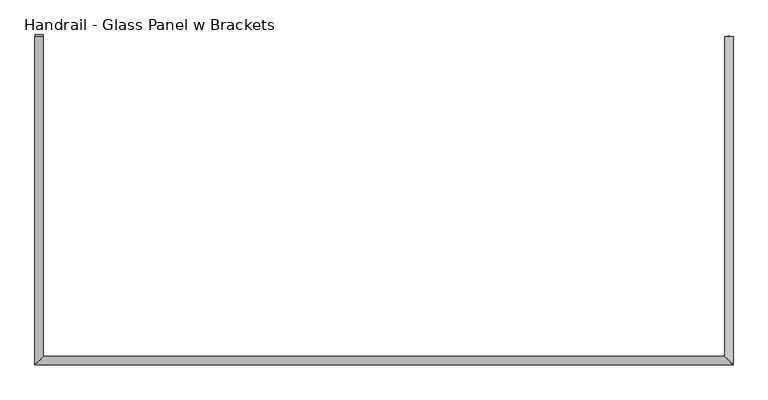
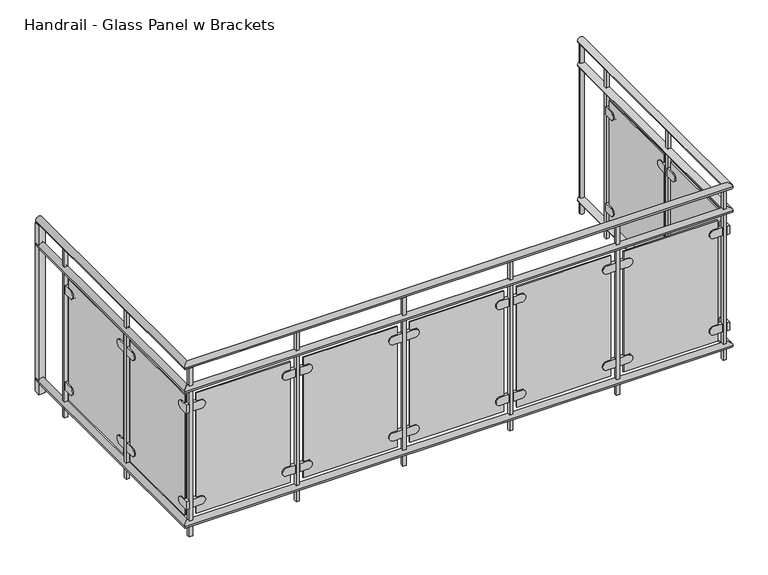
"""IFC4 building model written with IfcOpenShell, lengths in millimetres: railing geometry, Handrail - Glass Panel w Brackets."""

from ifc_helpers import new_model, si_unit, point, frame, frame_2d, origin, place, context, project, spatial, polyline, circle_curve, ellipse_curve, trimmed, segment, composite_curve, outline, extrude, source, transform, mapped, element, save
from ifc_brep_helpers import plane_surface, cylinder_surface, advanced_brep


def handrail_glass_panel_w_brackets_f727f661(model_context):
    return source(origin(), model_context, "Body", "SolidModel", [
        advanced_brep(
        [(-2103.3768865, 1581.0392884, 1025.4325135), (-2143.3768865, 1581.0392884, 1025.4325135), (-2103.3768865, 87.6392884, 1025.4325135), (-2143.3768865, 47.6392884, 1025.4325135), (1077.4231135, 87.6392884, 1025.4325135), (1117.4231135, 47.6392884, 1025.4325135), (1077.4231135, 1581.0392884, 1025.4325135), (1117.4231135, 1581.0392884, 1025.4325135)],
        [
            (0, 1, circle_curve(frame((-2123.3768865, 1581.0392884, 1025.4325135), z_axis=(0.0, 1.0, 0.0), x_axis=(-1.0, 0.0, 0.0)), 20.0)),
            (1, 0, circle_curve(frame((-2123.3768865, 1581.0392884, 1025.4325135), z_axis=(0.0, 1.0, 0.0), x_axis=(-1.0, 0.0, 0.0)), 20.0)),
            (0, 2),
            (2, 3, ellipse_curve(frame((-2123.3768865, 67.6392884, 1025.4325135), z_axis=(-0.7071067811865475, 0.7071067811865475, 0.0), x_axis=(0.7071067811865474, 0.7071067811865476, 0.0)), 28.2842712, 20.0)),
            (3, 1),
            (3, 2, ellipse_curve(frame((-2123.3768865, 67.6392884, 1025.4325135), z_axis=(-0.7071067811865475, 0.7071067811865475, 0.0), x_axis=(0.7071067811865474, 0.7071067811865476, 0.0)), 28.2842712, 20.0)),
            (2, 4),
            (4, 5, ellipse_curve(frame((1097.4231135, 67.6392884, 1025.4325135), z_axis=(-0.7071067811865475, -0.7071067811865475, 0.0), x_axis=(-0.7071067811865476, 0.7071067811865474, 0.0)), 28.2842712, 20.0)),
            (5, 3),
            (5, 4, ellipse_curve(frame((1097.4231135, 67.6392884, 1025.4325135), z_axis=(-0.7071067811865475, -0.7071067811865475, 0.0), x_axis=(-0.7071067811865476, 0.7071067811865474, 0.0)), 28.2842712, 20.0)),
            (6, 7, circle_curve(frame((1097.4231135, 1581.0392884, 1025.4325135), z_axis=(0.0, 1.0, 0.0), x_axis=(1.0, 0.0, 0.0)), 20.0)),
            (7, 6, circle_curve(frame((1097.4231135, 1581.0392884, 1025.4325135), z_axis=(0.0, 1.0, 0.0), x_axis=(1.0, 0.0, 0.0)), 20.0)),
            (4, 6),
            (7, 5),
        ],
        [
            plane_surface(frame((-2123.3768865, 1581.0392884, 1045.4325135), z_axis=(0.0, 1.0, 0.0), x_axis=(0.0, 0.0, -1.0))),
            cylinder_surface(frame((-2123.3768865, 1581.0392884, 1025.4325135), z_axis=(0.0, 1.0, 0.0), x_axis=(-1.0, 0.0, 0.0)), 20.0),
            cylinder_surface(frame((-2123.3768865, 67.6392884, 1025.4325135), z_axis=(-1.0, 0.0, 0.0), x_axis=(0.0, -1.0, 0.0)), 20.0),
            plane_surface(frame((1097.4231135, 1581.0392884, 1045.4325135), z_axis=(0.0, 1.0, 0.0), x_axis=(0.0, 0.0, 1.0))),
            cylinder_surface(frame((1097.4231135, 67.6392884, 1025.4325135), z_axis=(0.0, -1.0, 0.0), x_axis=(1.0, 0.0, 0.0)), 20.0),
        ],
        [
            (0, [[1, 2]]),
            (1, [[-1, 3, 4, 5]]),
            (1, [[-2, -5, 6, -3]]),
            (2, [[-4, 7, 8, 9]]),
            (2, [[-6, -9, 10, -7]]),
            (3, [[11, 12]]),
            (4, [[-8, 13, -12, 14]]),
            (4, [[-10, -14, -11, -13]]),
        ],
    ),
        advanced_brep(
        [(-2103.3768865, 1581.0392884, 875.4325135), (-2143.3768865, 1581.0392884, 875.4325135), (-2103.3768865, 87.6392884, 875.4325135), (-2143.3768865, 47.6392884, 875.4325135), (1077.4231135, 87.6392884, 875.4325135), (1117.4231135, 47.6392884, 875.4325135), (1077.4231135, 1581.0392884, 875.4325135), (1117.4231135, 1581.0392884, 875.4325135)],
        [
            (0, 1, circle_curve(frame((-2123.3768865, 1581.0392884, 875.4325135), z_axis=(0.0, 1.0, 0.0), x_axis=(-1.0, 0.0, 0.0)), 20.0)),
            (1, 0, circle_curve(frame((-2123.3768865, 1581.0392884, 875.4325135), z_axis=(0.0, 1.0, 0.0), x_axis=(-1.0, 0.0, 0.0)), 20.0)),
            (0, 2),
            (2, 3, ellipse_curve(frame((-2123.3768865, 67.6392884, 875.4325135), z_axis=(-0.7071067811865475, 0.7071067811865475, 0.0), x_axis=(0.7071067811865474, 0.7071067811865476, 0.0)), 28.2842712, 20.0)),
            (3, 1),
            (3, 2, ellipse_curve(frame((-2123.3768865, 67.6392884, 875.4325135), z_axis=(-0.7071067811865475, 0.7071067811865475, 0.0), x_axis=(0.7071067811865474, 0.7071067811865476, 0.0)), 28.2842712, 20.0)),
            (2, 4),
            (4, 5, ellipse_curve(frame((1097.4231135, 67.6392884, 875.4325135), z_axis=(-0.7071067811865475, -0.7071067811865475, 0.0), x_axis=(-0.7071067811865476, 0.7071067811865474, 0.0)), 28.2842712, 20.0)),
            (5, 3),
            (5, 4, ellipse_curve(frame((1097.4231135, 67.6392884, 875.4325135), z_axis=(-0.7071067811865475, -0.7071067811865475, 0.0), x_axis=(-0.7071067811865476, 0.7071067811865474, 0.0)), 28.2842712, 20.0)),
            (6, 7, circle_curve(frame((1097.4231135, 1581.0392884, 875.4325135), z_axis=(0.0, 1.0, 0.0), x_axis=(1.0, 0.0, 0.0)), 20.0)),
            (7, 6, circle_curve(frame((1097.4231135, 1581.0392884, 875.4325135), z_axis=(0.0, 1.0, 0.0), x_axis=(1.0, 0.0, 0.0)), 20.0)),
            (4, 6),
            (7, 5),
        ],
        [
            plane_surface(frame((-2123.3768865, 1581.0392884, 895.4325135), z_axis=(0.0, 1.0, 0.0), x_axis=(0.0, 0.0, -1.0))),
            cylinder_surface(frame((-2123.3768865, 1581.0392884, 875.4325135), z_axis=(0.0, 1.0, 0.0), x_axis=(-1.0, 0.0, 0.0)), 20.0),
            cylinder_surface(frame((-2123.3768865, 67.6392884, 875.4325135), z_axis=(-1.0, 0.0, 0.0), x_axis=(0.0, -1.0, 0.0)), 20.0),
            plane_surface(frame((1097.4231135, 1581.0392884, 895.4325135), z_axis=(0.0, 1.0, 0.0), x_axis=(0.0, 0.0, 1.0))),
            cylinder_surface(frame((1097.4231135, 67.6392884, 875.4325135), z_axis=(0.0, -1.0, 0.0), x_axis=(1.0, 0.0, 0.0)), 20.0),
        ],
        [
            (0, [[1, 2]]),
            (1, [[-1, 3, 4, 5]]),
            (1, [[-2, -5, 6, -3]]),
            (2, [[-4, 7, 8, 9]]),
            (2, [[-6, -9, 10, -7]]),
            (3, [[11, 12]]),
            (4, [[-8, 13, -12, 14]]),
            (4, [[-10, -14, -11, -13]]),
        ],
    ),
        advanced_brep(
        [(-2103.3768865, 1581.0392884, 27.0325135), (-2143.3768865, 1581.0392884, 27.0325135), (-2103.3768865, 87.6392884, 27.0325135), (-2143.3768865, 47.6392884, 27.0325135), (1077.4231135, 87.6392884, 27.0325135), (1117.4231135, 47.6392884, 27.0325135), (1077.4231135, 1581.0392884, 27.0325135), (1117.4231135, 1581.0392884, 27.0325135)],
        [
            (0, 1, circle_curve(frame((-2123.3768865, 1581.0392884, 27.0325135), z_axis=(0.0, 1.0, 0.0), x_axis=(-1.0, 0.0, 0.0)), 20.0)),
            (1, 0, circle_curve(frame((-2123.3768865, 1581.0392884, 27.0325135), z_axis=(0.0, 1.0, 0.0), x_axis=(-1.0, 0.0, 0.0)), 20.0)),
            (0, 2),
            (2, 3, ellipse_curve(frame((-2123.3768865, 67.6392884, 27.0325135), z_axis=(-0.7071067811865475, 0.7071067811865475, 0.0), x_axis=(0.7071067811865474, 0.7071067811865476, 0.0)), 28.2842712, 20.0)),
            (3, 1),
            (3, 2, ellipse_curve(frame((-2123.3768865, 67.6392884, 27.0325135), z_axis=(-0.7071067811865475, 0.7071067811865475, 0.0), x_axis=(0.7071067811865474, 0.7071067811865476, 0.0)), 28.2842712, 20.0)),
            (2, 4),
            (4, 5, ellipse_curve(frame((1097.4231135, 67.6392884, 27.0325135), z_axis=(-0.7071067811865475, -0.7071067811865475, 0.0), x_axis=(-0.7071067811865476, 0.7071067811865474, 0.0)), 28.2842712, 20.0)),
            (5, 3),
            (5, 4, ellipse_curve(frame((1097.4231135, 67.6392884, 27.0325135), z_axis=(-0.7071067811865475, -0.7071067811865475, 0.0), x_axis=(-0.7071067811865476, 0.7071067811865474, 0.0)), 28.2842712, 20.0)),
            (6, 7, circle_curve(frame((1097.4231135, 1581.0392884, 27.0325135), z_axis=(0.0, 1.0, 0.0), x_axis=(1.0, 0.0, 0.0)), 20.0)),
            (7, 6, circle_curve(frame((1097.4231135, 1581.0392884, 27.0325135), z_axis=(0.0, 1.0, 0.0), x_axis=(1.0, 0.0, 0.0)), 20.0)),
            (4, 6),
            (7, 5),
        ],
        [
            plane_surface(frame((-2123.3768865, 1581.0392884, 47.0325135), z_axis=(0.0, 1.0, 0.0), x_axis=(0.0, 0.0, -1.0))),
            cylinder_surface(frame((-2123.3768865, 1581.0392884, 27.0325135), z_axis=(0.0, 1.0, 0.0), x_axis=(-1.0, 0.0, 0.0)), 20.0),
            cylinder_surface(frame((-2123.3768865, 67.6392884, 27.0325135), z_axis=(-1.0, 0.0, 0.0), x_axis=(0.0, -1.0, 0.0)), 20.0),
            plane_surface(frame((1097.4231135, 1581.0392884, 47.0325135), z_axis=(0.0, 1.0, 0.0), x_axis=(0.0, 0.0, 1.0))),
            cylinder_surface(frame((1097.4231135, 67.6392884, 27.0325135), z_axis=(0.0, -1.0, 0.0), x_axis=(1.0, 0.0, 0.0)), 20.0),
        ],
        [
            (0, [[1, 2]]),
            (1, [[-1, 3, 4, 5]]),
            (1, [[-2, -5, 6, -3]]),
            (2, [[-4, 7, 8, 9]]),
            (2, [[-6, -9, 10, -7]]),
            (3, [[11, 12]]),
            (4, [[-8, 13, -12, 14]]),
            (4, [[-10, -14, -11, -13]]),
        ],
    ),
        extrude(outline(polyline([(1106.9481135, 1305.2142884), (1087.8981135, 1305.2142884), (1087.8981135, 1324.2642884), (1106.9481135, 1324.2642884), (1106.9481135, 1305.2142884)])), frame((0.0, 0.0, -54.5674865), z_axis=(0.0, 0.0, 1.0), x_axis=(1.0, 0.0, 0.0)), (0.0, 0.0, 1.0), 1060.0),
        extrude(outline(composite_curve([segment(polyline([(1251.2392884, 779.2325135), (1302.0392884, 779.2325135), (1302.0392884, 728.4325135), (1251.2392884, 728.4325135)]), True, "CONTINUOUS"), segment(trimmed(circle_curve(frame_2d((1251.2392884, 753.8325135)), 25.4), [point((1251.2392884, 728.4325135))], [point((1251.2392884, 779.2325135))], False, "CARTESIAN"), True, "CONTINUOUS")], self_intersect=False)), frame((1084.7231135, 0.0, 0.0), z_axis=(1.0, 0.0, 0.0), x_axis=(0.0, 1.0, 0.0)), (0.0, 0.0, 1.0), 19.05),
        extrude(outline(composite_curve([segment(trimmed(circle_curve(frame_2d((743.2392884, 753.8325135)), 25.4), [point((743.2392884, 779.2325135))], [point((743.2392884, 728.4325135))], False, "CARTESIAN"), True, "CONTINUOUS"), segment(polyline([(743.2392884, 728.4325135), (692.4392884, 728.4325135), (692.4392884, 779.2325135), (743.2392884, 779.2325135)]), True, "CONTINUOUS")], self_intersect=False)), frame((1084.7231135, 0.0, 0.0), z_axis=(1.0, 0.0, 0.0), x_axis=(0.0, 1.0, 0.0)), (0.0, 0.0, 1.0), 19.05),
        extrude(outline(composite_curve([segment(polyline([(1251.2392884, 174.0325135), (1302.0392884, 174.0325135), (1302.0392884, 123.2325135), (1251.2392884, 123.2325135)]), True, "CONTINUOUS"), segment(trimmed(circle_curve(frame_2d((1251.2392884, 148.6325135)), 25.4), [point((1251.2392884, 123.2325135))], [point((1251.2392884, 174.0325135))], False, "CARTESIAN"), True, "CONTINUOUS")], self_intersect=False)), frame((1084.7231135, 0.0, 0.0), z_axis=(1.0, 0.0, 0.0), x_axis=(0.0, 1.0, 0.0)), (0.0, 0.0, 1.0), 19.05),
        extrude(outline(composite_curve([segment(trimmed(circle_curve(frame_2d((743.2392884, 148.6325135)), 25.4), [point((743.2392884, 174.0325135))], [point((743.2392884, 123.2325135))], False, "CARTESIAN"), True, "CONTINUOUS"), segment(polyline([(743.2392884, 123.2325135), (692.4392884, 123.2325135), (692.4392884, 174.0325135), (743.2392884, 174.0325135)]), True, "CONTINUOUS")], self_intersect=False)), frame((1084.7231135, 0.0, 0.0), z_axis=(1.0, 0.0, 0.0), x_axis=(0.0, 1.0, 0.0)), (0.0, 0.0, 1.0), 19.05),
        extrude(outline(polyline([(1091.0731135, 717.8392884), (1091.0731135, 1276.6392884), (1097.4231135, 1276.6392884), (1097.4231135, 717.8392884), (1091.0731135, 717.8392884)])), frame((0.0, 0.0, 72.4325135), z_axis=(0.0, 0.0, 1.0), x_axis=(1.0, 0.0, 0.0)), (0.0, 0.0, 1.0), 757.6),
        extrude(outline(polyline([(1106.9481135, 670.2142884), (1087.8981135, 670.2142884), (1087.8981135, 689.2642884), (1106.9481135, 689.2642884), (1106.9481135, 670.2142884)])), frame((0.0, 0.0, -54.5674865), z_axis=(0.0, 0.0, 1.0), x_axis=(1.0, 0.0, 0.0)), (0.0, 0.0, 1.0), 1060.0),
        extrude(outline(composite_curve([segment(polyline([(616.2392884, 779.2325135), (667.0392884, 779.2325135), (667.0392884, 728.4325135), (616.2392884, 728.4325135)]), True, "CONTINUOUS"), segment(trimmed(circle_curve(frame_2d((616.2392884, 753.8325135)), 25.4), [point((616.2392884, 728.4325135))], [point((616.2392884, 779.2325135))], False, "CARTESIAN"), True, "CONTINUOUS")], self_intersect=False)), frame((1084.7231135, 0.0, 0.0), z_axis=(1.0, 0.0, 0.0), x_axis=(0.0, 1.0, 0.0)), (0.0, 0.0, 1.0), 19.05),
        extrude(outline(composite_curve([segment(trimmed(circle_curve(frame_2d((108.2392884, 753.8325135)), 25.4), [point((108.2392884, 779.2325135))], [point((108.2392884, 728.4325135))], False, "CARTESIAN"), True, "CONTINUOUS"), segment(polyline([(108.2392884, 728.4325135), (57.4392884, 728.4325135), (57.4392884, 779.2325135), (108.2392884, 779.2325135)]), True, "CONTINUOUS")], self_intersect=False)), frame((1084.7231135, 0.0, 0.0), z_axis=(1.0, 0.0, 0.0), x_axis=(0.0, 1.0, 0.0)), (0.0, 0.0, 1.0), 19.05),
        extrude(outline(composite_curve([segment(polyline([(616.2392884, 174.0325135), (667.0392884, 174.0325135), (667.0392884, 123.2325135), (616.2392884, 123.2325135)]), True, "CONTINUOUS"), segment(trimmed(circle_curve(frame_2d((616.2392884, 148.6325135)), 25.4), [point((616.2392884, 123.2325135))], [point((616.2392884, 174.0325135))], False, "CARTESIAN"), True, "CONTINUOUS")], self_intersect=False)), frame((1084.7231135, 0.0, 0.0), z_axis=(1.0, 0.0, 0.0), x_axis=(0.0, 1.0, 0.0)), (0.0, 0.0, 1.0), 19.05),
        extrude(outline(composite_curve([segment(trimmed(circle_curve(frame_2d((108.2392884, 148.6325135)), 25.4), [point((108.2392884, 174.0325135))], [point((108.2392884, 123.2325135))], False, "CARTESIAN"), True, "CONTINUOUS"), segment(polyline([(108.2392884, 123.2325135), (57.4392884, 123.2325135), (57.4392884, 174.0325135), (108.2392884, 174.0325135)]), True, "CONTINUOUS")], self_intersect=False)), frame((1084.7231135, 0.0, 0.0), z_axis=(1.0, 0.0, 0.0), x_axis=(0.0, 1.0, 0.0)), (0.0, 0.0, 1.0), 19.05),
        extrude(outline(polyline([(1091.0731135, 82.8392884), (1091.0731135, 641.6392884), (1097.4231135, 641.6392884), (1097.4231135, 82.8392884), (1091.0731135, 82.8392884)])), frame((0.0, 0.0, 72.4325135), z_axis=(0.0, 0.0, 1.0), x_axis=(1.0, 0.0, 0.0)), (0.0, 0.0, 1.0), 757.6),
        extrude(outline(polyline([(1064.9981135, 58.1142884), (1064.9981135, 77.1642884), (1084.0481135, 77.1642884), (1084.0481135, 58.1142884), (1064.9981135, 58.1142884)])), frame((0.0, 0.0, -54.5674865), z_axis=(0.0, 0.0, 1.0), x_axis=(1.0, 0.0, 0.0)), (0.0, 0.0, 1.0), 1060.0),
        extrude(outline(composite_curve([segment(trimmed(circle_curve(frame_2d((753.8325135, 1011.0231135)), 25.4), [point((779.2325135, 1011.0231135))], [point((728.4325135, 1011.0231135))], False, "CARTESIAN"), True, "CONTINUOUS"), segment(polyline([(728.4325135, 1011.0231135), (728.4325135, 1061.8231135), (779.2325135, 1061.8231135), (779.2325135, 1011.0231135)]), True, "CONTINUOUS")], self_intersect=False)), frame((0.0, 61.2892884, 0.0), z_axis=(0.0, 1.0, 0.0), x_axis=(0.0, 0.0, 1.0)), (0.0, 0.0, 1.0), 19.05),
        extrude(outline(composite_curve([segment(polyline([(779.2325135, 503.0231135), (779.2325135, 452.2231135), (728.4325135, 452.2231135), (728.4325135, 503.0231135)]), True, "CONTINUOUS"), segment(trimmed(circle_curve(frame_2d((753.8325135, 503.0231135)), 25.4), [point((728.4325135, 503.0231135))], [point((779.2325135, 503.0231135))], False, "CARTESIAN"), True, "CONTINUOUS")], self_intersect=False)), frame((0.0, 61.2892884, 0.0), z_axis=(0.0, 1.0, 0.0), x_axis=(0.0, 0.0, 1.0)), (0.0, 0.0, 1.0), 19.05),
        extrude(outline(composite_curve([segment(trimmed(circle_curve(frame_2d((148.6325135, 1011.0231135)), 25.4), [point((174.0325135, 1011.0231135))], [point((123.2325135, 1011.0231135))], False, "CARTESIAN"), True, "CONTINUOUS"), segment(polyline([(123.2325135, 1011.0231135), (123.2325135, 1061.8231135), (174.0325135, 1061.8231135), (174.0325135, 1011.0231135)]), True, "CONTINUOUS")], self_intersect=False)), frame((0.0, 61.2892884, 0.0), z_axis=(0.0, 1.0, 0.0), x_axis=(0.0, 0.0, 1.0)), (0.0, 0.0, 1.0), 19.05),
        extrude(outline(composite_curve([segment(polyline([(174.0325135, 503.0231135), (174.0325135, 452.2231135), (123.2325135, 452.2231135), (123.2325135, 503.0231135)]), True, "CONTINUOUS"), segment(trimmed(circle_curve(frame_2d((148.6325135, 503.0231135)), 25.4), [point((123.2325135, 503.0231135))], [point((174.0325135, 503.0231135))], False, "CARTESIAN"), True, "CONTINUOUS")], self_intersect=False)), frame((0.0, 61.2892884, 0.0), z_axis=(0.0, 1.0, 0.0), x_axis=(0.0, 0.0, 1.0)), (0.0, 0.0, 1.0), 19.05),
        extrude(outline(polyline([(477.6231135, 73.9892884), (1036.4231135, 73.9892884), (1036.4231135, 67.6392884), (477.6231135, 67.6392884), (477.6231135, 73.9892884)])), frame((0.0, 0.0, 72.4325135), z_axis=(0.0, 0.0, 1.0), x_axis=(1.0, 0.0, 0.0)), (0.0, 0.0, 1.0), 757.6),
        extrude(outline(polyline([(429.9981135, 58.1142884), (429.9981135, 77.1642884), (449.0481135, 77.1642884), (449.0481135, 58.1142884), (429.9981135, 58.1142884)])), frame((0.0, 0.0, -54.5674865), z_axis=(0.0, 0.0, 1.0), x_axis=(1.0, 0.0, 0.0)), (0.0, 0.0, 1.0), 1060.0),
        extrude(outline(composite_curve([segment(trimmed(circle_curve(frame_2d((753.8325135, 376.0231135)), 25.4), [point((779.2325135, 376.0231135))], [point((728.4325135, 376.0231135))], False, "CARTESIAN"), True, "CONTINUOUS"), segment(polyline([(728.4325135, 376.0231135), (728.4325135, 426.8231135), (779.2325135, 426.8231135), (779.2325135, 376.0231135)]), True, "CONTINUOUS")], self_intersect=False)), frame((0.0, 61.2892884, 0.0), z_axis=(0.0, 1.0, 0.0), x_axis=(0.0, 0.0, 1.0)), (0.0, 0.0, 1.0), 19.05),
        extrude(outline(composite_curve([segment(polyline([(779.2325135, -131.9768865), (779.2325135, -182.7768865), (728.4325135, -182.7768865), (728.4325135, -131.9768865)]), True, "CONTINUOUS"), segment(trimmed(circle_curve(frame_2d((753.8325135, -131.9768865)), 25.4), [point((728.4325135, -131.9768865))], [point((779.2325135, -131.9768865))], False, "CARTESIAN"), True, "CONTINUOUS")], self_intersect=False)), frame((0.0, 61.2892884, 0.0), z_axis=(0.0, 1.0, 0.0), x_axis=(0.0, 0.0, 1.0)), (0.0, 0.0, 1.0), 19.05),
        extrude(outline(composite_curve([segment(trimmed(circle_curve(frame_2d((148.6325135, 376.0231135)), 25.4), [point((174.0325135, 376.0231135))], [point((123.2325135, 376.0231135))], False, "CARTESIAN"), True, "CONTINUOUS"), segment(polyline([(123.2325135, 376.0231135), (123.2325135, 426.8231135), (174.0325135, 426.8231135), (174.0325135, 376.0231135)]), True, "CONTINUOUS")], self_intersect=False)), frame((0.0, 61.2892884, 0.0), z_axis=(0.0, 1.0, 0.0), x_axis=(0.0, 0.0, 1.0)), (0.0, 0.0, 1.0), 19.05),
        extrude(outline(composite_curve([segment(polyline([(174.0325135, -131.9768865), (174.0325135, -182.7768865), (123.2325135, -182.7768865), (123.2325135, -131.9768865)]), True, "CONTINUOUS"), segment(trimmed(circle_curve(frame_2d((148.6325135, -131.9768865)), 25.4), [point((123.2325135, -131.9768865))], [point((174.0325135, -131.9768865))], False, "CARTESIAN"), True, "CONTINUOUS")], self_intersect=False)), frame((0.0, 61.2892884, 0.0), z_axis=(0.0, 1.0, 0.0), x_axis=(0.0, 0.0, 1.0)), (0.0, 0.0, 1.0), 19.05),
        extrude(outline(polyline([(-157.3768865, 73.9892884), (401.4231135, 73.9892884), (401.4231135, 67.6392884), (-157.3768865, 67.6392884), (-157.3768865, 73.9892884)])), frame((0.0, 0.0, 72.4325135), z_axis=(0.0, 0.0, 1.0), x_axis=(1.0, 0.0, 0.0)), (0.0, 0.0, 1.0), 757.6),
        extrude(outline(polyline([(-205.0018865, 58.1142884), (-205.0018865, 77.1642884), (-185.9518865, 77.1642884), (-185.9518865, 58.1142884), (-205.0018865, 58.1142884)])), frame((0.0, 0.0, -54.5674865), z_axis=(0.0, 0.0, 1.0), x_axis=(1.0, 0.0, 0.0)), (0.0, 0.0, 1.0), 1060.0),
        extrude(outline(composite_curve([segment(trimmed(circle_curve(frame_2d((753.8325135, -258.9768865)), 25.4), [point((779.2325135, -258.9768865))], [point((728.4325135, -258.9768865))], False, "CARTESIAN"), True, "CONTINUOUS"), segment(polyline([(728.4325135, -258.9768865), (728.4325135, -208.1768865), (779.2325135, -208.1768865), (779.2325135, -258.9768865)]), True, "CONTINUOUS")], self_intersect=False)), frame((0.0, 61.2892884, 0.0), z_axis=(0.0, 1.0, 0.0), x_axis=(0.0, 0.0, 1.0)), (0.0, 0.0, 1.0), 19.05),
        extrude(outline(composite_curve([segment(polyline([(779.2325135, -766.9768865), (779.2325135, -817.7768865), (728.4325135, -817.7768865), (728.4325135, -766.9768865)]), True, "CONTINUOUS"), segment(trimmed(circle_curve(frame_2d((753.8325135, -766.9768865)), 25.4), [point((728.4325135, -766.9768865))], [point((779.2325135, -766.9768865))], False, "CARTESIAN"), True, "CONTINUOUS")], self_intersect=False)), frame((0.0, 61.2892884, 0.0), z_axis=(0.0, 1.0, 0.0), x_axis=(0.0, 0.0, 1.0)), (0.0, 0.0, 1.0), 19.05),
        extrude(outline(composite_curve([segment(trimmed(circle_curve(frame_2d((148.6325135, -258.9768865)), 25.4), [point((174.0325135, -258.9768865))], [point((123.2325135, -258.9768865))], False, "CARTESIAN"), True, "CONTINUOUS"), segment(polyline([(123.2325135, -258.9768865), (123.2325135, -208.1768865), (174.0325135, -208.1768865), (174.0325135, -258.9768865)]), True, "CONTINUOUS")], self_intersect=False)), frame((0.0, 61.2892884, 0.0), z_axis=(0.0, 1.0, 0.0), x_axis=(0.0, 0.0, 1.0)), (0.0, 0.0, 1.0), 19.05),
        extrude(outline(composite_curve([segment(polyline([(174.0325135, -766.9768865), (174.0325135, -817.7768865), (123.2325135, -817.7768865), (123.2325135, -766.9768865)]), True, "CONTINUOUS"), segment(trimmed(circle_curve(frame_2d((148.6325135, -766.9768865)), 25.4), [point((123.2325135, -766.9768865))], [point((174.0325135, -766.9768865))], False, "CARTESIAN"), True, "CONTINUOUS")], self_intersect=False)), frame((0.0, 61.2892884, 0.0), z_axis=(0.0, 1.0, 0.0), x_axis=(0.0, 0.0, 1.0)), (0.0, 0.0, 1.0), 19.05),
        extrude(outline(polyline([(-792.3768865, 73.9892884), (-233.5768865, 73.9892884), (-233.5768865, 67.6392884), (-792.3768865, 67.6392884), (-792.3768865, 73.9892884)])), frame((0.0, 0.0, 72.4325135), z_axis=(0.0, 0.0, 1.0), x_axis=(1.0, 0.0, 0.0)), (0.0, 0.0, 1.0), 757.6),
        extrude(outline(polyline([(-840.0018865, 58.1142884), (-840.0018865, 77.1642884), (-820.9518865, 77.1642884), (-820.9518865, 58.1142884), (-840.0018865, 58.1142884)])), frame((0.0, 0.0, -54.5674865), z_axis=(0.0, 0.0, 1.0), x_axis=(1.0, 0.0, 0.0)), (0.0, 0.0, 1.0), 1060.0),
        extrude(outline(composite_curve([segment(trimmed(circle_curve(frame_2d((753.8325135, -893.9768865)), 25.4), [point((779.2325135, -893.9768865))], [point((728.4325135, -893.9768865))], False, "CARTESIAN"), True, "CONTINUOUS"), segment(polyline([(728.4325135, -893.9768865), (728.4325135, -843.1768865), (779.2325135, -843.1768865), (779.2325135, -893.9768865)]), True, "CONTINUOUS")], self_intersect=False)), frame((0.0, 61.2892884, 0.0), z_axis=(0.0, 1.0, 0.0), x_axis=(0.0, 0.0, 1.0)), (0.0, 0.0, 1.0), 19.05),
        extrude(outline(composite_curve([segment(polyline([(779.2325135, -1401.9768865), (779.2325135, -1452.7768865), (728.4325135, -1452.7768865), (728.4325135, -1401.9768865)]), True, "CONTINUOUS"), segment(trimmed(circle_curve(frame_2d((753.8325135, -1401.9768865)), 25.4), [point((728.4325135, -1401.9768865))], [point((779.2325135, -1401.9768865))], False, "CARTESIAN"), True, "CONTINUOUS")], self_intersect=False)), frame((0.0, 61.2892884, 0.0), z_axis=(0.0, 1.0, 0.0), x_axis=(0.0, 0.0, 1.0)), (0.0, 0.0, 1.0), 19.05),
        extrude(outline(composite_curve([segment(trimmed(circle_curve(frame_2d((148.6325135, -893.9768865)), 25.4), [point((174.0325135, -893.9768865))], [point((123.2325135, -893.9768865))], False, "CARTESIAN"), True, "CONTINUOUS"), segment(polyline([(123.2325135, -893.9768865), (123.2325135, -843.1768865), (174.0325135, -843.1768865), (174.0325135, -893.9768865)]), True, "CONTINUOUS")], self_intersect=False)), frame((0.0, 61.2892884, 0.0), z_axis=(0.0, 1.0, 0.0), x_axis=(0.0, 0.0, 1.0)), (0.0, 0.0, 1.0), 19.05),
        extrude(outline(composite_curve([segment(polyline([(174.0325135, -1401.9768865), (174.0325135, -1452.7768865), (123.2325135, -1452.7768865), (123.2325135, -1401.9768865)]), True, "CONTINUOUS"), segment(trimmed(circle_curve(frame_2d((148.6325135, -1401.9768865)), 25.4), [point((123.2325135, -1401.9768865))], [point((174.0325135, -1401.9768865))], False, "CARTESIAN"), True, "CONTINUOUS")], self_intersect=False)), frame((0.0, 61.2892884, 0.0), z_axis=(0.0, 1.0, 0.0), x_axis=(0.0, 0.0, 1.0)), (0.0, 0.0, 1.0), 19.05),
        extrude(outline(polyline([(-1427.3768865, 73.9892884), (-868.5768865, 73.9892884), (-868.5768865, 67.6392884), (-1427.3768865, 67.6392884), (-1427.3768865, 73.9892884)])), frame((0.0, 0.0, 72.4325135), z_axis=(0.0, 0.0, 1.0), x_axis=(1.0, 0.0, 0.0)), (0.0, 0.0, 1.0), 757.6),
        extrude(outline(polyline([(-1475.0018865, 58.1142884), (-1475.0018865, 77.1642884), (-1455.9518865, 77.1642884), (-1455.9518865, 58.1142884), (-1475.0018865, 58.1142884)])), frame((0.0, 0.0, -54.5674865), z_axis=(0.0, 0.0, 1.0), x_axis=(1.0, 0.0, 0.0)), (0.0, 0.0, 1.0), 1060.0),
        extrude(outline(composite_curve([segment(trimmed(circle_curve(frame_2d((753.8325135, -1528.9768865)), 25.4), [point((779.2325135, -1528.9768865))], [point((728.4325135, -1528.9768865))], False, "CARTESIAN"), True, "CONTINUOUS"), segment(polyline([(728.4325135, -1528.9768865), (728.4325135, -1478.1768865), (779.2325135, -1478.1768865), (779.2325135, -1528.9768865)]), True, "CONTINUOUS")], self_intersect=False)), frame((0.0, 61.2892884, 0.0), z_axis=(0.0, 1.0, 0.0), x_axis=(0.0, 0.0, 1.0)), (0.0, 0.0, 1.0), 19.05),
        extrude(outline(composite_curve([segment(polyline([(779.2325135, -2036.9768865), (779.2325135, -2087.7768865), (728.4325135, -2087.7768865), (728.4325135, -2036.9768865)]), True, "CONTINUOUS"), segment(trimmed(circle_curve(frame_2d((753.8325135, -2036.9768865)), 25.4), [point((728.4325135, -2036.9768865))], [point((779.2325135, -2036.9768865))], False, "CARTESIAN"), True, "CONTINUOUS")], self_intersect=False)), frame((0.0, 61.2892884, 0.0), z_axis=(0.0, 1.0, 0.0), x_axis=(0.0, 0.0, 1.0)), (0.0, 0.0, 1.0), 19.05),
        extrude(outline(composite_curve([segment(trimmed(circle_curve(frame_2d((148.6325135, -1528.9768865)), 25.4), [point((174.0325135, -1528.9768865))], [point((123.2325135, -1528.9768865))], False, "CARTESIAN"), True, "CONTINUOUS"), segment(polyline([(123.2325135, -1528.9768865), (123.2325135, -1478.1768865), (174.0325135, -1478.1768865), (174.0325135, -1528.9768865)]), True, "CONTINUOUS")], self_intersect=False)), frame((0.0, 61.2892884, 0.0), z_axis=(0.0, 1.0, 0.0), x_axis=(0.0, 0.0, 1.0)), (0.0, 0.0, 1.0), 19.05),
        extrude(outline(composite_curve([segment(polyline([(174.0325135, -2036.9768865), (174.0325135, -2087.7768865), (123.2325135, -2087.7768865), (123.2325135, -2036.9768865)]), True, "CONTINUOUS"), segment(trimmed(circle_curve(frame_2d((148.6325135, -2036.9768865)), 25.4), [point((123.2325135, -2036.9768865))], [point((174.0325135, -2036.9768865))], False, "CARTESIAN"), True, "CONTINUOUS")], self_intersect=False)), frame((0.0, 61.2892884, 0.0), z_axis=(0.0, 1.0, 0.0), x_axis=(0.0, 0.0, 1.0)), (0.0, 0.0, 1.0), 19.05),
        extrude(outline(polyline([(-2062.3768865, 73.9892884), (-1503.5768865, 73.9892884), (-1503.5768865, 67.6392884), (-2062.3768865, 67.6392884), (-2062.3768865, 73.9892884)])), frame((0.0, 0.0, 72.4325135), z_axis=(0.0, 0.0, 1.0), x_axis=(1.0, 0.0, 0.0)), (0.0, 0.0, 1.0), 757.6),
        extrude(outline(polyline([(-2110.0018865, 58.1142884), (-2110.0018865, 77.1642884), (-2090.9518865, 77.1642884), (-2090.9518865, 58.1142884), (-2110.0018865, 58.1142884)])), frame((0.0, 0.0, -54.5674865), z_axis=(0.0, 0.0, 1.0), x_axis=(1.0, 0.0, 0.0)), (0.0, 0.0, 1.0), 1060.0),
        extrude(outline(composite_curve([segment(trimmed(circle_curve(frame_2d((108.2392884, 753.8325135)), 25.4), [point((108.2392884, 779.2325135))], [point((108.2392884, 728.4325135))], False, "CARTESIAN"), True, "CONTINUOUS"), segment(polyline([(108.2392884, 728.4325135), (57.4392884, 728.4325135), (57.4392884, 779.2325135), (108.2392884, 779.2325135)]), True, "CONTINUOUS")], self_intersect=False)), frame((-2129.7268865, 0.0, 0.0), z_axis=(1.0, 0.0, 0.0), x_axis=(0.0, 1.0, 0.0)), (0.0, 0.0, 1.0), 19.05),
        extrude(outline(composite_curve([segment(polyline([(616.2392884, 779.2325135), (667.0392884, 779.2325135), (667.0392884, 728.4325135), (616.2392884, 728.4325135)]), True, "CONTINUOUS"), segment(trimmed(circle_curve(frame_2d((616.2392884, 753.8325135)), 25.4), [point((616.2392884, 728.4325135))], [point((616.2392884, 779.2325135))], False, "CARTESIAN"), True, "CONTINUOUS")], self_intersect=False)), frame((-2129.7268865, 0.0, 0.0), z_axis=(1.0, 0.0, 0.0), x_axis=(0.0, 1.0, 0.0)), (0.0, 0.0, 1.0), 19.05),
        extrude(outline(composite_curve([segment(trimmed(circle_curve(frame_2d((108.2392884, 148.6325135)), 25.4), [point((108.2392884, 174.0325135))], [point((108.2392884, 123.2325135))], False, "CARTESIAN"), True, "CONTINUOUS"), segment(polyline([(108.2392884, 123.2325135), (57.4392884, 123.2325135), (57.4392884, 174.0325135), (108.2392884, 174.0325135)]), True, "CONTINUOUS")], self_intersect=False)), frame((-2129.7268865, 0.0, 0.0), z_axis=(1.0, 0.0, 0.0), x_axis=(0.0, 1.0, 0.0)), (0.0, 0.0, 1.0), 19.05),
        extrude(outline(composite_curve([segment(polyline([(616.2392884, 174.0325135), (667.0392884, 174.0325135), (667.0392884, 123.2325135), (616.2392884, 123.2325135)]), True, "CONTINUOUS"), segment(trimmed(circle_curve(frame_2d((616.2392884, 148.6325135)), 25.4), [point((616.2392884, 123.2325135))], [point((616.2392884, 174.0325135))], False, "CARTESIAN"), True, "CONTINUOUS")], self_intersect=False)), frame((-2129.7268865, 0.0, 0.0), z_axis=(1.0, 0.0, 0.0), x_axis=(0.0, 1.0, 0.0)), (0.0, 0.0, 1.0), 19.05),
        extrude(outline(polyline([(-2117.0268865, 641.6392884), (-2117.0268865, 82.8392884), (-2123.3768865, 82.8392884), (-2123.3768865, 641.6392884), (-2117.0268865, 641.6392884)])), frame((0.0, 0.0, 72.4325135), z_axis=(0.0, 0.0, 1.0), x_axis=(1.0, 0.0, 0.0)), (0.0, 0.0, 1.0), 757.6),
        extrude(outline(polyline([(-2132.9018865, 689.2642884), (-2113.8518865, 689.2642884), (-2113.8518865, 670.2142884), (-2132.9018865, 670.2142884), (-2132.9018865, 689.2642884)])), frame((0.0, 0.0, -54.5674865), z_axis=(0.0, 0.0, 1.0), x_axis=(1.0, 0.0, 0.0)), (0.0, 0.0, 1.0), 1060.0),
        extrude(outline(composite_curve([segment(trimmed(circle_curve(frame_2d((743.2392884, 753.8325135)), 25.4), [point((743.2392884, 779.2325135))], [point((743.2392884, 728.4325135))], False, "CARTESIAN"), True, "CONTINUOUS"), segment(polyline([(743.2392884, 728.4325135), (692.4392884, 728.4325135), (692.4392884, 779.2325135), (743.2392884, 779.2325135)]), True, "CONTINUOUS")], self_intersect=False)), frame((-2129.7268865, 0.0, 0.0), z_axis=(1.0, 0.0, 0.0), x_axis=(0.0, 1.0, 0.0)), (0.0, 0.0, 1.0), 19.05),
        extrude(outline(composite_curve([segment(polyline([(1251.2392884, 779.2325135), (1302.0392884, 779.2325135), (1302.0392884, 728.4325135), (1251.2392884, 728.4325135)]), True, "CONTINUOUS"), segment(trimmed(circle_curve(frame_2d((1251.2392884, 753.8325135)), 25.4), [point((1251.2392884, 728.4325135))], [point((1251.2392884, 779.2325135))], False, "CARTESIAN"), True, "CONTINUOUS")], self_intersect=False)), frame((-2129.7268865, 0.0, 0.0), z_axis=(1.0, 0.0, 0.0), x_axis=(0.0, 1.0, 0.0)), (0.0, 0.0, 1.0), 19.05),
        extrude(outline(composite_curve([segment(trimmed(circle_curve(frame_2d((743.2392884, 148.6325135)), 25.4), [point((743.2392884, 174.0325135))], [point((743.2392884, 123.2325135))], False, "CARTESIAN"), True, "CONTINUOUS"), segment(polyline([(743.2392884, 123.2325135), (692.4392884, 123.2325135), (692.4392884, 174.0325135), (743.2392884, 174.0325135)]), True, "CONTINUOUS")], self_intersect=False)), frame((-2129.7268865, 0.0, 0.0), z_axis=(1.0, 0.0, 0.0), x_axis=(0.0, 1.0, 0.0)), (0.0, 0.0, 1.0), 19.05),
        extrude(outline(composite_curve([segment(polyline([(1251.2392884, 174.0325135), (1302.0392884, 174.0325135), (1302.0392884, 123.2325135), (1251.2392884, 123.2325135)]), True, "CONTINUOUS"), segment(trimmed(circle_curve(frame_2d((1251.2392884, 148.6325135)), 25.4), [point((1251.2392884, 123.2325135))], [point((1251.2392884, 174.0325135))], False, "CARTESIAN"), True, "CONTINUOUS")], self_intersect=False)), frame((-2129.7268865, 0.0, 0.0), z_axis=(1.0, 0.0, 0.0), x_axis=(0.0, 1.0, 0.0)), (0.0, 0.0, 1.0), 19.05),
        extrude(outline(polyline([(-2117.0268865, 1276.6392884), (-2117.0268865, 717.8392884), (-2123.3768865, 717.8392884), (-2123.3768865, 1276.6392884), (-2117.0268865, 1276.6392884)])), frame((0.0, 0.0, 72.4325135), z_axis=(0.0, 0.0, 1.0), x_axis=(1.0, 0.0, 0.0)), (0.0, 0.0, 1.0), 757.6),
        extrude(outline(polyline([(-2132.9018865, 1324.2642884), (-2113.8518865, 1324.2642884), (-2113.8518865, 1305.2142884), (-2132.9018865, 1305.2142884), (-2132.9018865, 1324.2642884)])), frame((0.0, 0.0, -54.5674865), z_axis=(0.0, 0.0, 1.0), x_axis=(1.0, 0.0, 0.0)), (0.0, 0.0, 1.0), 1060.0),
        extrude(outline(composite_curve([segment(trimmed(circle_curve(frame_2d((1097.4231135, 1571.5392884)), 12.7), [point((1084.7231135, 1571.5392884))], [point((1110.1231135, 1571.5392884))], False, "CARTESIAN"), True, "CONTINUOUS"), segment(trimmed(circle_curve(frame_2d((1097.4231135, 1571.5392884)), 12.7), [point((1110.1231135, 1571.5392884))], [point((1084.7231135, 1571.5392884))], False, "CARTESIAN"), True, "CONTINUOUS")], self_intersect=False)), frame((0.0, 0.0, -54.5674865), z_axis=(0.0, 0.0, 1.0), x_axis=(1.0, 0.0, 0.0)), (0.0, 0.0, 1.0), 1060.0),
        extrude(outline(polyline([(-2142.4268865, 1590.5892884), (-2104.3268865, 1590.5892884), (-2104.3268865, 1552.4892884), (-2142.4268865, 1552.4892884), (-2142.4268865, 1590.5892884)])), frame((0.0, 0.0, -54.5674865), z_axis=(0.0, 0.0, 1.0), x_axis=(1.0, 0.0, 0.0)), (0.0, 0.0, 1.0), 1060.0),
    ])


if __name__ == "__main__":
    model = new_model("IFC4")
    model_context = context("Model", 3, world=origin())
    ifc_project = project(units=[si_unit("LENGTHUNIT", "METRE", prefix="MILLI")], contexts=[model_context])
    site = spatial("IfcSite", under=ifc_project)
    building = spatial("IfcBuilding", under=site)
    placement = place(None, origin())
    handrail_glass_panel_w_brackets_shape = handrail_glass_panel_w_brackets_f727f661(model_context)
    element("IfcRailing", 1, ObjectType="Handrail - Glass Panel w Brackets", at=placement, inside=building, context=model_context, shape_type="MappedRepresentation", body=[
        mapped(handrail_glass_panel_w_brackets_shape, transform((0.0, 0.0, 0.0), x_axis=(1.0, 0.0, 0.0), y_axis=(0.0, 1.0, 0.0), z_axis=(0.0, 0.0, 1.0))),
    ])
    save(model, "model.ifc")
